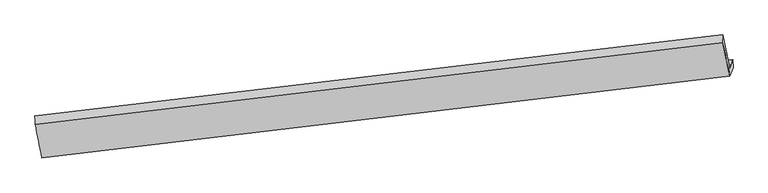
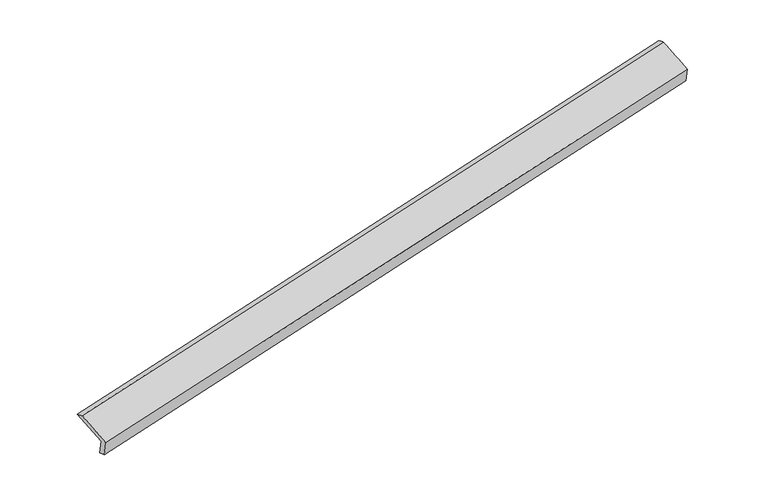
"""IFC4 building model written with IfcOpenShell, lengths in millimetres: proxy geometry."""

from ifc_helpers import new_model, si_unit, frame, origin, place, context, project, spatial, source, transform, mapped, element, save
from ifc_brep_helpers import plane_surface, spline_surface, advanced_brep


def generic_models_8cd25dca(model_context):
    return source(origin(), model_context, "Body", "AdvancedBrep", [
        advanced_brep(
        [(-9728.9848749, -2356.4487242, 75.429374), (-9791.8603674, -2527.9971915, 472.6070913), (4112.3557869, -884.3928908, 3408.3381832), (4176.6694629, -708.920507, 3002.0756155), (-9719.1867111, -2523.9073103, 122.2339033), (4184.0047182, -871.0789811, 3061.7868054), (-9785.1373088, -2703.8458443, 538.8367287), (4119.492304, -1047.0935987, 3469.3047804), (-9922.0196813, -2020.8618098, 812.1610192), (3977.8895741, -364.6759328, 3741.6371862), (-9927.4964204, -1851.2317544, 743.442753), (3972.0423556, -208.1886655, 3678.1909914)],
        [
            (0, 1),
            (1, 2),
            (2, 3),
            (3, 0),
            (4, 0),
            (3, 5),
            (5, 4),
            (6, 4),
            (5, 7),
            (7, 6),
            (8, 6),
            (7, 9),
            (9, 8),
            (10, 8),
            (9, 11),
            (11, 10),
            (1, 10),
            (11, 2),
        ],
        [
            plane_surface(frame((-9760.4226212, -2442.2229579, 274.0182327), z_axis=(-0.18490444323951466, 0.9125165400579883, 0.3648614956266049), x_axis=(-0.1438183519811917, -0.39239164373640145, 0.9084850464147768))),
            spline_surface(1, 1, [[(-9719.1867111, -2523.9073103, 122.2339033), (4184.0047182, -871.0789811, 3061.7868054)], [(-9728.9848749, -2356.4487242, 75.429374), (4176.6694629, -708.920507, 3002.0756155)]], [2, 2], [2, 2], [0.0, 1.0], [0.0, 1.0]),
            plane_surface(frame((-9752.1620099, -2613.8765773, 330.535316), z_axis=(0.18558400784878612, -0.9124355692376808, -0.3647189438741721), x_axis=(0.14381835198100548, 0.3923916437363978, -0.9084850464148079))),
            spline_surface(1, 1, [[(-9922.0196813, -2020.8618098, 812.1610192), (3977.8895741, -364.6759328, 3741.6371862)], [(-9785.1373088, -2703.8458443, 538.8367287), (4119.492304, -1047.0935987, 3469.3047804)]], [2, 2], [2, 2], [0.0, 1.0], [0.0, 1.0]),
            spline_surface(1, 1, [[(-9927.4964204, -1851.2317544, 743.442753), (3972.0423556, -208.1886655, 3678.1909914)], [(-9922.0196813, -2020.8618098, 812.1610192), (3977.8895741, -364.6759328, 3741.6371862)]], [2, 2], [2, 2], [0.0, 1.0], [0.0, 1.0]),
            spline_surface(1, 1, [[(-9791.8603674, -2527.9971915, 472.6070913), (4112.3557869, -884.3928908, 3408.3381832)], [(-9927.4964204, -1851.2317544, 743.442753), (3972.0423556, -208.1886655, 3678.1909914)]], [2, 2], [2, 2], [0.0, 1.0], [0.0, 1.0]),
            plane_surface(frame((4090.4090336, -680.725096, 3393.5555937), z_axis=(0.971341640889872, 0.11957901968978502, 0.20541731846025357), x_axis=(0.18923979049565384, -0.911992135917781, -0.36394868555509957))),
            plane_surface(frame((-9812.4475607, -2330.7154391, 460.7851449), z_axis=(-0.9725494174342812, -0.1136573379451156, -0.20305083151632292), x_axis=(0.14381835198120352, 0.3923916437364004, -0.9084850464147753))),
        ],
        [
            (0, [[1, 2, 3, 4]]),
            (1, [[5, -4, 6, 7]]),
            (2, [[8, -7, 9, 10]]),
            (3, [[11, -10, 12, 13]]),
            (4, [[14, -13, 15, 16]]),
            (5, [[17, -16, 18, -2]]),
            (6, [[-12, -9, -6, -3, -18, -15]]),
            (7, [[-1, -5, -8, -11, -14, -17]]),
        ],
    ),
    ])


if __name__ == "__main__":
    model = new_model("IFC4")
    model_context = context("Model", 3, world=origin())
    ifc_project = project(units=[si_unit("LENGTHUNIT", "METRE", prefix="MILLI")], contexts=[model_context])
    site = spatial("IfcSite", under=ifc_project)
    building = spatial("IfcBuilding", under=site)
    placement = place(None, origin())
    generic_models_shape = generic_models_8cd25dca(model_context)
    element("IfcBuildingElementProxy", 1, Name="Generic Models", at=placement, inside=building, context=model_context, shape_type="MappedRepresentation", body=[
        mapped(generic_models_shape, transform((0.0, 0.0, 0.0), x_axis=(1.0, 0.0, 0.0), y_axis=(0.0, 1.0, 0.0), z_axis=(0.0, 0.0, 1.0))),
    ])
    save(model, "model.ifc")
